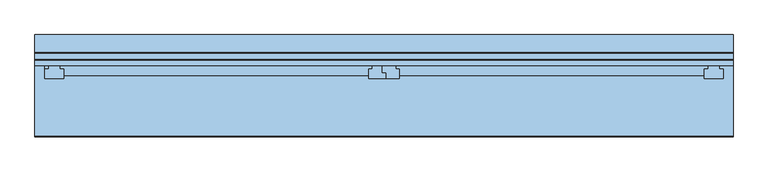
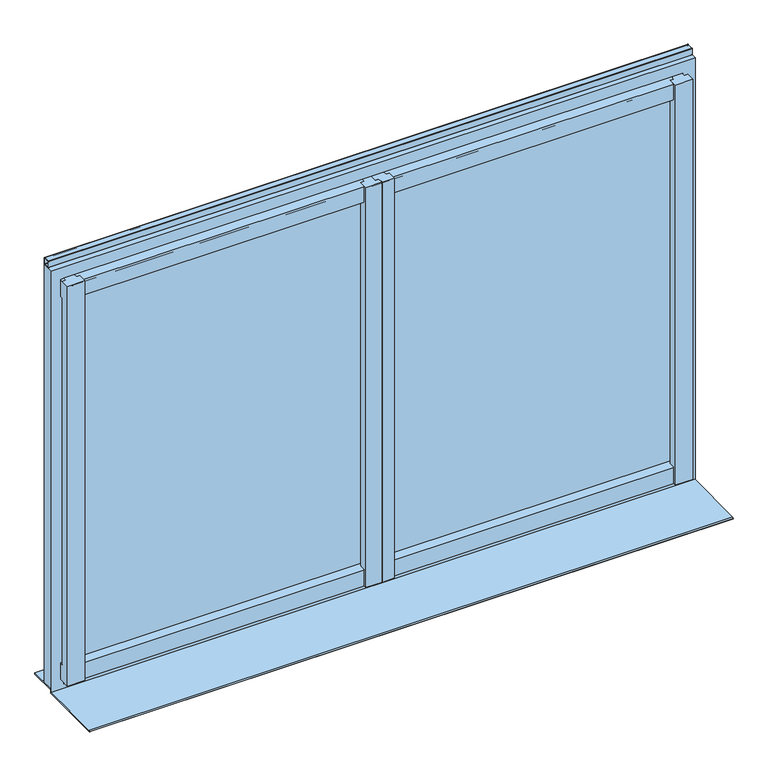
"""IFC4 building model written with IfcOpenShell, lengths in millimetres: window geometry."""

from ifc_helpers import new_model, si_unit, point, frame, frame_2d, origin, place, context, project, spatial, polyline, circle_curve, trimmed, segment, composite_curve, outline, extrude, faceted_brep, source, transform, mapped, element, save


def window_0bdd0cfb(model_context):
    return source(origin(), model_context, "Body", "SolidModel", [
        extrude(outline(composite_curve([segment(polyline([(-4968.9639151, 5209.32), (-4950.9639151, 5209.32)]), True, "CONTINUOUS"), segment(trimmed(circle_curve(frame_2d((-4950.9639151, 5208.32)), 1.0), [point((-4950.9639151, 5209.32))], [point((-4949.9639151, 5208.32))], False, "CARTESIAN"), True, "CONTINUOUS"), segment(polyline([(-4949.9639151, 5208.32), (-4949.9639151, 5190.32)]), True, "CONTINUOUS"), segment(trimmed(circle_curve(frame_2d((-4950.9639151, 5190.32)), 1.0), [point((-4949.9639151, 5190.32))], [point((-4950.9639151, 5189.32))], False, "CARTESIAN"), True, "CONTINUOUS"), segment(polyline([(-4950.9639151, 5189.32), (-4968.9639151, 5189.32)]), True, "CONTINUOUS"), segment(trimmed(circle_curve(frame_2d((-4968.9639151, 5190.32)), 1.0), [point((-4968.9639151, 5189.32))], [point((-4969.9639151, 5190.32))], False, "CARTESIAN"), True, "CONTINUOUS"), segment(polyline([(-4969.9639151, 5190.32), (-4969.9639151, 5208.32)]), True, "CONTINUOUS"), segment(trimmed(circle_curve(frame_2d((-4968.9639151, 5208.32)), 1.0), [point((-4969.9639151, 5208.32))], [point((-4968.9639151, 5209.32))], False, "CARTESIAN"), True, "CONTINUOUS")], self_intersect=False), holes=[composite_curve([segment(trimmed(circle_curve(frame_2d((-4966.9639151, 5206.32)), 1.0), [point((-4966.9639151, 5207.32))], [point((-4967.9639151, 5206.32))], True, "CARTESIAN"), True, "CONTINUOUS"), segment(polyline([(-4967.9639151, 5206.32), (-4967.9639151, 5192.32)]), True, "CONTINUOUS"), segment(trimmed(circle_curve(frame_2d((-4966.9639151, 5192.32)), 1.0), [point((-4967.9639151, 5192.32))], [point((-4966.9639151, 5191.32))], True, "CARTESIAN"), True, "CONTINUOUS"), segment(polyline([(-4966.9639151, 5191.32), (-4952.9639151, 5191.32)]), True, "CONTINUOUS"), segment(trimmed(circle_curve(frame_2d((-4952.9639151, 5192.32)), 1.0), [point((-4952.9639151, 5191.32))], [point((-4951.9639151, 5192.32))], True, "CARTESIAN"), True, "CONTINUOUS"), segment(polyline([(-4951.9639151, 5192.32), (-4951.9639151, 5206.32)]), True, "CONTINUOUS"), segment(trimmed(circle_curve(frame_2d((-4952.9639151, 5206.32)), 1.0), [point((-4951.9639151, 5206.32))], [point((-4952.9639151, 5207.32))], True, "CARTESIAN"), True, "CONTINUOUS"), segment(polyline([(-4952.9639151, 5207.32), (-4966.9639151, 5207.32)]), True, "CONTINUOUS")], self_intersect=False)]), frame((-6372.9804271, 0.0, 0.0), z_axis=(1.0, 0.0, 0.0), x_axis=(0.0, 1.0, 0.0)), (0.0, 0.0, 1.0), 1840.0),
        faceted_brep([(-6346.9804271, -4969.9639151, 5164.32), (-6346.9804271, -4980.9639151, 5164.32), (-4568.9804271, -4980.9639151, 5164.32), (-4568.9804271, -4969.9639151, 5164.32), (-6346.9804271, -4980.9639151, 5154.32), (-6336.9804271, -4980.9639151, 5154.32), (-6306.9804271, -4980.9639151, 5154.32), (-5483.4804271, -4980.9639151, 5154.32), (-5458.4804271, -4980.9639151, 5154.32), (-5457.4804271, -4980.9639151, 5154.32), (-5422.4804271, -4980.9639151, 5154.32), (-4598.9804271, -4980.9639151, 5154.32), (-4568.9804271, -4980.9639151, 5154.32), (-6346.9804271, -4993.9639151, 5152.9751724), (-6336.9804271, -4993.9639151, 5152.9751724), (-6306.9804271, -4993.9381503, 5152.9778377), (-6296.9804271, -4993.9381503, 5152.9778377), (-6296.9804271, -5009.9639151, 5151.32), (-5493.4804271, -5009.9639151, 5151.32), (-5493.4804271, -4993.9381503, 5152.9778377), (-5483.4804271, -4993.9381503, 5152.9778377), (-5458.4804271, -5003.9381503, 5151.943355), (-5448.4804271, -5003.9381503, 5151.943355), (-5448.4804271, -5009.9639151, 5151.32), (-5447.4804271, -5009.9639151, 5151.32), (-5447.4804271, -5002.9123855, 5152.0494686), (-5457.4804271, -5002.9123855, 5152.0494686), (-5422.4804271, -4993.9381503, 5152.9778377), (-5412.4804271, -4993.9381503, 5152.9778377), (-5412.4804271, -5009.9639151, 5151.32), (-4608.9804271, -5009.9639151, 5151.32), (-4608.9804271, -4993.9381503, 5152.9778377), (-4598.9804271, -4993.9381503, 5152.9778377), (-5412.4804271, -5009.9639151, 5104.32), (-4608.9804271, -5009.9639151, 5104.32), (-5448.4804271, -5009.9639151, 5104.32), (-5447.4804271, -5009.9639151, 5104.32), (-6296.9804271, -5009.9639151, 5104.32), (-5493.4804271, -5009.9639151, 5104.32), (-6346.9804271, -4993.9639151, 5104.32), (-6346.9804271, -4983.9639151, 5104.32), (-6336.9804271, -4983.9639151, 5104.32), (-6336.9804271, -4993.9639151, 5104.32), (-5412.4804271, -4993.9381503, 5104.32), (-5422.4804271, -4993.9381503, 5104.32), (-5422.4804271, -4983.9639151, 5104.32), (-4598.9804271, -4983.9639151, 5104.32), (-4598.9804271, -4993.9381503, 5104.32), (-4608.9804271, -4993.9381503, 5104.32), (-5448.4804271, -5003.9381503, 5104.32), (-5458.4804271, -5003.9381503, 5104.32), (-5458.4804271, -4983.9639151, 5104.32), (-5457.4804271, -4983.9639151, 5104.32), (-5457.4804271, -5002.9123855, 5104.32), (-5447.4804271, -5002.9123855, 5104.32), (-6296.9804271, -4993.9381503, 5104.32), (-6306.9804271, -4993.9381503, 5104.32), (-6306.9804271, -4983.9639151, 5104.32), (-5483.4804271, -4983.9639151, 5104.32), (-5483.4804271, -4993.9381503, 5104.32), (-5493.4804271, -4993.9381503, 5104.32), (-6346.9804271, -4983.9639151, 5114.32), (-6336.9804271, -4983.9639151, 5114.32), (-5422.4804271, -4983.9639151, 5114.32), (-4598.9804271, -4983.9639151, 5114.32), (-5458.4804271, -4983.9639151, 5114.32), (-5457.4804271, -4983.9639151, 5114.32), (-6306.9804271, -4983.9639151, 5114.32), (-5483.4804271, -4983.9639151, 5114.32), (-6346.9804271, -4969.9639151, 5114.32), (-4568.9804271, -4969.9639151, 5114.32), (-4568.9804271, -4978.9639151, 5114.32), (-4598.9804271, -4978.9639151, 5114.32), (-5422.4804271, -4978.9639151, 5114.32), (-5457.4804271, -4978.9639151, 5114.32), (-5458.4804271, -4978.9639151, 5114.32), (-5483.4804271, -4978.9639151, 5114.32), (-6306.9804271, -4978.9639151, 5114.32), (-6336.9804271, -4978.9639151, 5114.32), (-6346.9804271, -4983.9639151, 3994.7393506), (-6346.9804271, -4993.9639151, 3993.9701198), (-6336.9804271, -4993.9639151, 3993.9701198), (-6336.9804271, -4983.9639151, 3994.7393506), (-4598.9804271, -4983.9639151, 3994.7393506), (-5422.4804271, -4983.9639151, 3994.7393506), (-5422.4804271, -4993.9381503, 3993.9721017), (-5412.4804271, -4993.9381503, 3993.9721017), (-5412.4804271, -5009.9639151, 3992.7393506), (-4608.9804271, -5009.9639151, 3992.7393506), (-4608.9804271, -4993.9381503, 3993.9721017), (-4598.9804271, -4993.9381503, 3993.9721017), (-5457.4804271, -4983.9639151, 3994.7393506), (-5458.4804271, -4983.9639151, 3994.7393506), (-5458.4804271, -5003.9381503, 3993.2028709), (-5448.4804271, -5003.9381503, 3993.2028709), (-5448.4804271, -5009.9639151, 3992.7393506), (-5447.4804271, -5009.9639151, 3992.7393506), (-5447.4804271, -5002.9123855, 3993.2817759), (-5457.4804271, -5002.9123855, 3993.2817759), (-5483.4804271, -4983.9639151, 3994.7393506), (-6306.9804271, -4983.9639151, 3994.7393506), (-6306.9804271, -4993.9381503, 3993.9721017), (-6296.9804271, -4993.9381503, 3993.9721017), (-6296.9804271, -5009.9639151, 3992.7393506), (-5493.4804271, -5009.9639151, 3992.7393506), (-5493.4804271, -4993.9381503, 3993.9721017), (-5483.4804271, -4993.9381503, 3993.9721017), (-5412.4804271, -5009.9639151, 3944.7393506), (-4608.9804271, -5009.9639151, 3944.7393506), (-5448.4804271, -5009.9639151, 3944.7393506), (-5447.4804271, -5009.9639151, 3944.7393506), (-6296.9804271, -5009.9639151, 3944.7393506), (-5493.4804271, -5009.9639151, 3944.7393506), (-6346.9804271, -4984.9639151, 3944.7393506), (-6346.9804271, -4984.9639151, 3954.7393506), (-6336.9804271, -4984.9639151, 3954.7393506), (-6336.9804271, -4984.9639151, 3944.7393506), (-5483.4804271, -4984.9639151, 3944.7393506), (-6306.9804271, -4984.9639151, 3944.7393506), (-6306.9804271, -4984.9639151, 3954.7393506), (-5483.4804271, -4984.9639151, 3954.7393506), (-5457.4804271, -4984.9639151, 3944.7393506), (-5458.4804271, -4984.9639151, 3944.7393506), (-5458.4804271, -4984.9639151, 3954.7393506), (-5457.4804271, -4984.9639151, 3954.7393506), (-4598.9804271, -4984.9639151, 3944.7393506), (-5422.4804271, -4984.9639151, 3944.7393506), (-5422.4804271, -4984.9639151, 3954.7393506), (-4598.9804271, -4984.9639151, 3954.7393506), (-6346.9804271, -4969.9639151, 3954.7393506), (-4568.9804271, -4969.9639151, 3954.7393506), (-4568.9804271, -4978.9639151, 3954.7393506), (-4598.9804271, -4978.9639151, 3954.7393506), (-5422.4804271, -4978.9639151, 3954.7393506), (-5457.4804271, -4978.9639151, 3954.7393506), (-5458.4804271, -4978.9639151, 3954.7393506), (-5483.4804271, -4978.9639151, 3954.7393506), (-6306.9804271, -4978.9639151, 3954.7393506), (-6336.9804271, -4978.9639151, 3954.7393506), (-6346.9804271, -4969.9639151, 3984.7393506), (-4568.9804271, -4969.9639151, 3984.7393506), (-6346.9804271, -4983.9639151, 3984.7393506), (-6336.9804271, -4983.9639151, 3984.7393506), (-6336.9804271, -4978.9639151, 3984.7393506), (-6306.9804271, -4978.9639151, 3984.7393506), (-6306.9804271, -4983.9639151, 3984.7393506), (-5483.4804271, -4983.9639151, 3984.7393506), (-5483.4804271, -4978.9639151, 3984.7393506), (-5458.4804271, -4978.9639151, 3984.7393506), (-5458.4804271, -4983.9639151, 3984.7393506), (-5457.4804271, -4983.9639151, 3984.7393506), (-5457.4804271, -4978.9639151, 3984.7393506), (-5422.4804271, -4978.9639151, 3984.7393506), (-5422.4804271, -4983.9639151, 3984.7393506), (-4598.9804271, -4983.9639151, 3984.7393506), (-4598.9804271, -4978.9639151, 3984.7393506), (-4568.9804271, -4978.9639151, 3984.7393506), (-4558.9804271, -4993.9639151, 5154.32), (-4568.9804271, -4993.9639151, 5154.32), (-4598.9804271, -4993.9381503, 5154.32), (-4608.9804271, -4993.9381503, 5154.32), (-4608.9804271, -5018.9639151, 5154.32), (-4558.9804271, -5018.9639151, 5154.32), (-5457.4804271, -5002.9123855, 5154.32), (-5447.4804271, -5002.9123855, 5154.32), (-5447.4804271, -5018.9639151, 5154.32), (-5412.4804271, -5018.9639151, 5154.32), (-5412.4804271, -4993.9381503, 5154.32), (-5422.4804271, -4993.9381503, 5154.32), (-5448.4804271, -5018.9639151, 5154.32), (-5448.4804271, -5003.9381503, 5154.32), (-5458.4804271, -5003.9381503, 5154.32), (-5483.4804271, -4993.9381503, 5154.32), (-5493.4804271, -4993.9381503, 5154.32), (-5493.4804271, -5018.9639151, 5154.32), (-6346.9804271, -4993.9639151, 5154.32), (-6346.9804271, -5018.9639151, 5154.32), (-6296.9804271, -5018.9639151, 5154.32), (-6296.9804271, -4993.9381503, 5154.32), (-6306.9804271, -4993.9381503, 5154.32), (-6336.9804271, -4993.9639151, 5154.32), (-4558.9804271, -4993.9639151, 3944.7393506), (-4558.9804271, -5018.9639151, 3944.7393506), (-4608.9804271, -5018.9639151, 3944.7393506), (-5412.4804271, -5018.9639151, 3944.7393506), (-5447.4804271, -5018.9639151, 3944.7393506), (-5448.4804271, -5018.9639151, 3944.7393506), (-5493.4804271, -5018.9639151, 3944.7393506), (-6296.9804271, -5018.9639151, 3944.7393506), (-6346.9804271, -5018.9639151, 3944.7393506), (-6336.9804271, -4978.9639151, 3944.7393506), (-6306.9804271, -4978.9639151, 3944.7393506), (-5483.4804271, -4978.9639151, 3944.7393506), (-5458.4804271, -4978.9639151, 3944.7393506), (-5457.4804271, -4978.9639151, 3944.7393506), (-5422.4804271, -4978.9639151, 3944.7393506), (-4598.9804271, -4978.9639151, 3944.7393506), (-4568.9804271, -4978.9639151, 3944.7393506), (-4568.9804271, -4993.9639151, 3944.7393506)], [[[0, 1, 2, 3]], [[1, 4, 5, 6, 7, 8, 9, 10, 11, 12, 2]], [[5, 4, 13, 14]], [[7, 6, 15, 16, 17, 18, 19, 20]], [[9, 8, 21, 22, 23, 24, 25, 26]], [[11, 10, 27, 28, 29, 30, 31, 32]], [[30, 29, 33, 34]], [[24, 23, 35, 36]], [[18, 17, 37, 38]], [[39, 40, 41, 42]], [[34, 33, 43, 44, 45, 46, 47, 48]], [[36, 35, 49, 50, 51, 52, 53, 54]], [[38, 37, 55, 56, 57, 58, 59, 60]], [[40, 61, 62, 41]], [[46, 45, 63, 64]], [[52, 51, 65, 66]], [[58, 57, 67, 68]], [[61, 69, 70, 71, 72, 64, 63, 73, 74, 66, 65, 75, 76, 68, 67, 77, 78, 62]], [[69, 0, 3, 70]], [[79, 80, 81, 82]], [[83, 84, 85, 86, 87, 88, 89, 90]], [[91, 92, 93, 94, 95, 96, 97, 98]], [[99, 100, 101, 102, 103, 104, 105, 106]], [[107, 108, 88, 87]], [[109, 110, 96, 95]], [[111, 112, 104, 103]], [[113, 114, 115, 116]], [[117, 118, 119, 120]], [[121, 122, 123, 124]], [[125, 126, 127, 128]], [[114, 129, 130, 131, 132, 128, 127, 133, 134, 124, 123, 135, 136, 120, 119, 137, 138, 115]], [[129, 139, 140, 130]], [[139, 141, 142, 143, 144, 145, 146, 147, 148, 149, 150, 151, 152, 153, 154, 155, 156, 140]], [[141, 79, 82, 142]], [[84, 83, 154, 153]], [[92, 91, 150, 149]], [[100, 99, 146, 145]], [[157, 158, 12, 11, 159, 160, 161, 162]], [[163, 164, 165, 166, 167, 168, 10, 9]], [[169, 170, 171, 8, 7, 172, 173, 174]], [[175, 176, 177, 178, 179, 6, 5, 180]], [[181, 182, 183, 108, 107, 184, 185, 110, 109, 186, 187, 112, 111, 188, 189, 113, 116, 190, 191, 118, 117, 192, 193, 122, 121, 194, 195, 126, 125, 196, 197, 198]], [[198, 158, 157, 181]], [[12, 158, 198, 197, 131, 130, 140, 156, 71, 70, 3, 2]], [[197, 196, 132, 131]], [[71, 156, 155, 72]], [[159, 11, 32]], [[196, 125, 128, 132]], [[72, 155, 154, 83, 90, 47, 46, 64]], [[160, 159, 32, 31]], [[47, 90, 89, 48]], [[161, 160, 31, 30, 34, 48, 89, 88, 108, 183]], [[162, 161, 183, 182]], [[157, 162, 182, 181]], [[195, 194, 134, 133]], [[73, 152, 151, 74]], [[163, 9, 26]], [[194, 121, 124, 134]], [[74, 151, 150, 91, 98, 53, 52, 66]], [[164, 163, 26, 25]], [[53, 98, 97, 54]], [[165, 164, 25, 24, 36, 54, 97, 96, 110, 185]], [[166, 165, 185, 184]], [[167, 166, 184, 107, 87, 86, 43, 33, 29, 28]], [[168, 167, 28, 27]], [[43, 86, 85, 44]], [[10, 168, 27]], [[126, 195, 133, 127]], [[152, 73, 63, 45, 44, 85, 84, 153]], [[170, 169, 186, 109, 95, 94, 49, 35, 23, 22]], [[171, 170, 22, 21]], [[49, 94, 93, 50]], [[8, 171, 21]], [[122, 193, 135, 123]], [[50, 93, 92, 149, 148, 75, 65, 51]], [[193, 192, 136, 135]], [[75, 148, 147, 76]], [[172, 7, 20]], [[192, 117, 120, 136]], [[76, 147, 146, 99, 106, 59, 58, 68]], [[173, 172, 20, 19]], [[59, 106, 105, 60]], [[174, 173, 19, 18, 38, 60, 105, 104, 112, 187]], [[169, 174, 187, 186]], [[176, 175, 13, 4, 1, 0, 69, 61, 40, 39, 80, 79, 141, 139, 129, 114, 113, 189]], [[177, 176, 189, 188]], [[178, 177, 188, 111, 103, 102, 55, 37, 17, 16]], [[179, 178, 16, 15]], [[55, 102, 101, 56]], [[6, 179, 15]], [[118, 191, 137, 119]], [[56, 101, 100, 145, 144, 77, 67, 57]], [[191, 190, 138, 137]], [[77, 144, 143, 78]], [[180, 5, 14]], [[190, 116, 115, 138]], [[78, 143, 142, 82, 81, 42, 41, 62]], [[175, 180, 14, 13]], [[80, 39, 42, 81]]]),
        faceted_brep([(-4567.9804271, -4984.4639151, 5154.82), (-6337.9804271, -4984.4639151, 5154.82), (-6337.9804271, -4981.9639151, 5154.82), (-6369.9804271, -4981.9639151, 5154.82), (-6369.9804271, -4981.4639151, 5154.82), (-4535.9804271, -4981.4639151, 5154.82), (-4535.9804271, -4981.9639151, 5154.82), (-4567.9804271, -4981.9639151, 5154.82), (-6369.9804271, -4981.4639151, 5186.32), (-4535.9804271, -4981.4639151, 5186.32), (-6369.9804271, -4949.9639151, 5186.32), (-4535.9804271, -4949.9639151, 5186.32), (-4532.9804271, -4949.9639151, 5189.32), (-6372.9804271, -4949.9639151, 5189.32), (-6372.9804271, -4984.4639151, 5189.32), (-4532.9804271, -4984.4639151, 5189.32), (-6337.9804271, -4984.4639151, 3927.7393506), (-6337.9804271, -4981.9639151, 3927.7393506), (-6369.9804271, -4981.9639151, 3927.7393506), (-6369.9804271, -4974.9639151, 3954.2393506), (-6369.9804271, -4952.9639151, 3954.2393506), (-6369.9804271, -4952.9639151, 3959.2393506), (-6369.9804271, -4949.9639151, 3959.2393506), (-6369.9804271, -4952.9639151, 3927.7393506), (-6369.9804271, -4952.9639151, 3951.2393506), (-6369.9804271, -4974.9639151, 3951.2393506), (-4535.9804271, -4952.9639151, 3954.2393506), (-4535.9804271, -4974.9639151, 3954.2393506), (-4535.9804271, -4974.9639151, 3951.2393506), (-4535.9804271, -4952.9639151, 3951.2393506), (-4535.9804271, -4952.9639151, 3927.7393506), (-4535.9804271, -4981.9639151, 3927.7393506), (-4535.9804271, -4949.9639151, 3959.2393506), (-4535.9804271, -4952.9639151, 3959.2393506), (-4567.9804271, -4981.9639151, 3927.7393506), (-4567.9804271, -4984.4639151, 3927.7393506), (-6372.9804271, -4949.9639151, 3924.5631649), (-6372.9804271, -4981.4639151, 3924.5631649), (-6372.9804271, -4981.4639151, 3915.2207232), (-6372.9804271, -4984.4639151, 3915.1907232), (-4532.9804271, -4984.4639151, 3915.1907232), (-4532.9804271, -4981.4639151, 3915.2207232), (-4532.9804271, -4981.4639151, 3924.5631649), (-4532.9804271, -4949.9639151, 3924.5631649)], [[[0, 1, 2, 3, 4, 5, 6, 7]], [[5, 4, 8, 9]], [[10, 11, 9, 8]], [[12, 13, 14, 15]], [[16, 17, 2, 1]], [[17, 18, 3, 2]], [[19, 20, 21, 22, 10, 8, 4, 3, 18, 23, 24, 25]], [[26, 27, 28, 29, 30, 31, 6, 5, 9, 11, 32, 33]], [[31, 34, 7, 6]], [[34, 35, 0, 7]], [[13, 36, 37, 38, 39, 14]], [[15, 40, 41, 42, 43, 12]], [[26, 20, 19, 27]], [[27, 19, 25, 28]], [[28, 25, 24, 29]], [[29, 24, 23, 30]], [[30, 23, 18, 17, 16, 35, 34, 31]], [[39, 40, 15, 14], [16, 1, 0, 35]], [[39, 38, 41, 40]], [[38, 37, 42, 41]], [[37, 36, 43, 42]], [[43, 36, 13, 12], [32, 11, 10, 22]], [[32, 22, 21, 33]], [[20, 26, 33, 21]]]),
        extrude(outline(composite_curve([segment(polyline([(-4979.9639151, 3984.7393506), (-4979.9639151, 3994.7393506), (-4971.9629757, 3994.7393506)]), True, "CONTINUOUS"), segment(trimmed(circle_curve(frame_2d((-4971.9629757, 3992.7393506)), 2.0), [point((-4971.9629757, 3994.7393506))], [point((-4969.9639151, 3992.6780575))], False, "CARTESIAN"), True, "CONTINUOUS"), segment(polyline([(-4969.9639151, 3992.6780575), (-4969.9639151, 3986.6780575)]), True, "CONTINUOUS"), segment(trimmed(circle_curve(frame_2d((-4971.9629757, 3986.7393506)), 2.0), [point((-4969.9639151, 3986.6780575))], [point((-4971.9629757, 3984.7393506))], False, "CARTESIAN"), True, "CONTINUOUS"), segment(polyline([(-4971.9629757, 3984.7393506), (-4979.9639151, 3984.7393506)]), True, "CONTINUOUS")], self_intersect=False)), frame((-6306.9804271, 0.0, 0.0), z_axis=(1.0, 0.0, 0.0), x_axis=(0.0, 1.0, 0.0)), (0.0, 0.0, 1.0), 1708.0),
        extrude(outline(composite_curve([segment(polyline([(-4979.9639151, 5114.32), (-4971.9629757, 5114.32)]), True, "CONTINUOUS"), segment(trimmed(circle_curve(frame_2d((-4971.9629757, 5112.32)), 2.0), [point((-4971.9629757, 5114.32))], [point((-4969.9639151, 5112.3812931))], False, "CARTESIAN"), True, "CONTINUOUS"), segment(polyline([(-4969.9639151, 5112.3812931), (-4969.9639151, 5106.3812931)]), True, "CONTINUOUS"), segment(trimmed(circle_curve(frame_2d((-4971.9629757, 5106.32)), 2.0), [point((-4969.9639151, 5106.3812931))], [point((-4971.9629757, 5104.32))], False, "CARTESIAN"), True, "CONTINUOUS"), segment(polyline([(-4971.9629757, 5104.32), (-4979.9639151, 5104.32), (-4979.9639151, 5114.32)]), True, "CONTINUOUS")], self_intersect=False)), frame((-6306.9804271, 0.0, 0.0), z_axis=(1.0, 0.0, 0.0), x_axis=(0.0, 1.0, 0.0)), (0.0, 0.0, 1.0), 1708.0),
        extrude(outline(polyline([(-4532.9804271, -4902.9639151), (-4532.9804271, -4980.9639151), (-6372.9804271, -4980.9639151), (-6372.9804271, -4902.9639151), (-4532.9804271, -4902.9639151)])), frame((0.0, 0.0, 3919.5659965), z_axis=(0.0, 0.0, 1.0), x_axis=(1.0, 0.0, 0.0)), (0.0, 0.0, 1.0), 4.9971684),
        extrude(outline(composite_curve([segment(polyline([(-4981.4639151, 3914.99215), (-4981.4639151, 3909.32), (-5172.9639151, 3909.32), (-5172.9639151, 3910.107)]), True, "CONTINUOUS"), segment(trimmed(circle_curve(frame_2d((-5169.9639151, 3910.107)), 3.0), [point((-5172.9639151, 3910.107))], [point((-5169.9939136, 3913.10685))], False, "CARTESIAN"), True, "CONTINUOUS"), segment(polyline([(-5169.9939136, 3913.10685), (-4981.4639151, 3914.99215)]), True, "CONTINUOUS")], self_intersect=False)), frame((-6372.9804271, 0.0, 0.0), z_axis=(1.0, 0.0, 0.0), x_axis=(0.0, 1.0, 0.0)), (0.0, 0.0, 1.0), 1840.0),
        extrude(outline(polyline([(-4568.9804271, -4979.9639151), (-4568.9804271, -4983.9639151), (-6336.9804271, -4983.9639151), (-6336.9804271, -4979.9639151), (-4568.9804271, -4979.9639151)])), frame((0.0, 0.0, 3986.7393506), z_axis=(0.0, 0.0, 1.0), x_axis=(1.0, 0.0, 0.0)), (0.0, 0.0, 1.0), 1125.5806494),
    ])


if __name__ == "__main__":
    model = new_model("IFC4")
    model_context = context("Model", 3, world=origin())
    ifc_project = project(units=[si_unit("LENGTHUNIT", "METRE", prefix="MILLI")], contexts=[model_context])
    site = spatial("IfcSite", under=ifc_project)
    building = spatial("IfcBuilding", under=site)
    placement = place(None, origin())
    window_shape = window_0bdd0cfb(model_context)
    element("IfcWindow", 1, at=placement, inside=building, context=model_context, shape_type="MappedRepresentation", body=[
        mapped(window_shape, transform((0.0, 0.0, 0.0), x_axis=(1.0, 0.0, 0.0), y_axis=(0.0, 1.0, 0.0), z_axis=(0.0, 0.0, 1.0))),
    ])
    save(model, "model.ifc")
